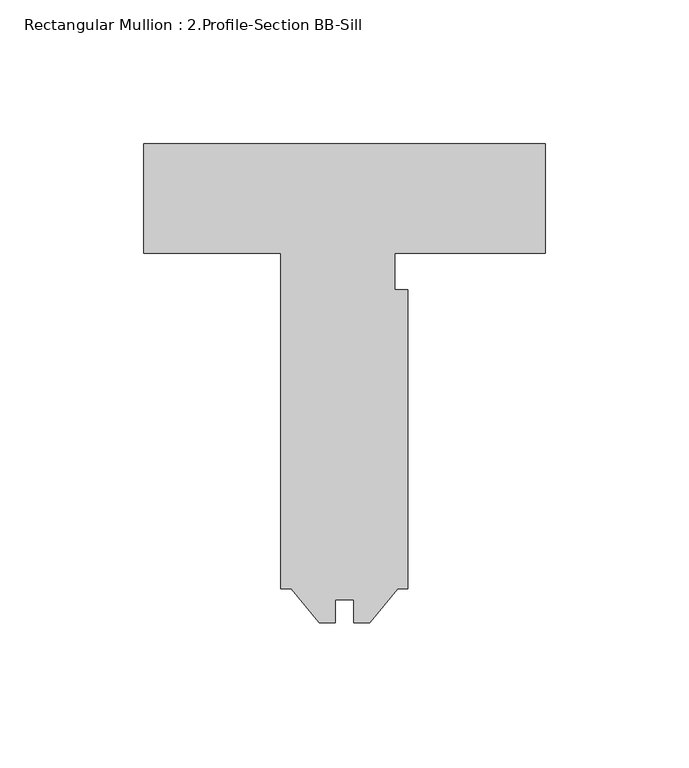
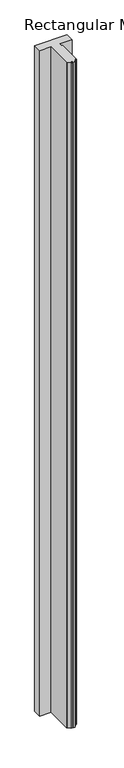
"""IFC4 building model written with IfcOpenShell, lengths in millimetres: member geometry, Rectangular Mullion : 2.Profile-Section BB-Sill."""

from ifc_helpers import new_model, si_unit, frame, origin, place, context, project, spatial, polyline, outline, extrude, source, transform, mapped, element, save


def rectangular_mullion_2_profile_section_bb_sill_986f2fef(model_context):
    return source(origin(), model_context, "Body", "SweptSolid", [
        extrude(outline(polyline([(-139.7, 41.275), (0.0, 41.275), (0.0, 3.175), (-52.3875, 3.175), (-52.3875, -9.525), (-47.752, -9.525), (-47.752, -113.4872), (-51.331164, -113.4872), (-61.0997, -125.39345), (-66.675, -125.39345), (-66.675, -117.4496), (-73.025, -117.4496), (-73.025, -125.39345), (-78.6003, -125.39345), (-88.368836, -113.4872), (-91.948, -113.4872), (-91.948, 3.175), (-139.7, 3.175), (-139.7, 41.275)])), frame((0.0, 0.0, -3048.0), z_axis=(0.0, 0.0, 1.0), x_axis=(1.0, 0.0, 0.0)), (0.0, 0.0, 1.0), 3048.0),
    ])


if __name__ == "__main__":
    model = new_model("IFC4")
    model_context = context("Model", 3, world=origin())
    ifc_project = project(units=[si_unit("LENGTHUNIT", "METRE", prefix="MILLI")], contexts=[model_context])
    site = spatial("IfcSite", under=ifc_project)
    building = spatial("IfcBuilding", under=site)
    placement = place(None, origin())
    rectangular_mullion_2_profile_section_bb_sill_shape = rectangular_mullion_2_profile_section_bb_sill_986f2fef(model_context)
    element("IfcMember", 1, ObjectType="Rectangular Mullion : 2.Profile-Section BB-Sill", at=placement, inside=building, context=model_context, shape_type="MappedRepresentation", body=[
        mapped(rectangular_mullion_2_profile_section_bb_sill_shape, transform((0.0, 0.0, 0.0), x_axis=(1.0, 0.0, 0.0), y_axis=(0.0, 1.0, 0.0), z_axis=(0.0, 0.0, 1.0))),
    ])
    save(model, "model.ifc")
